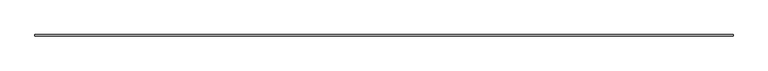
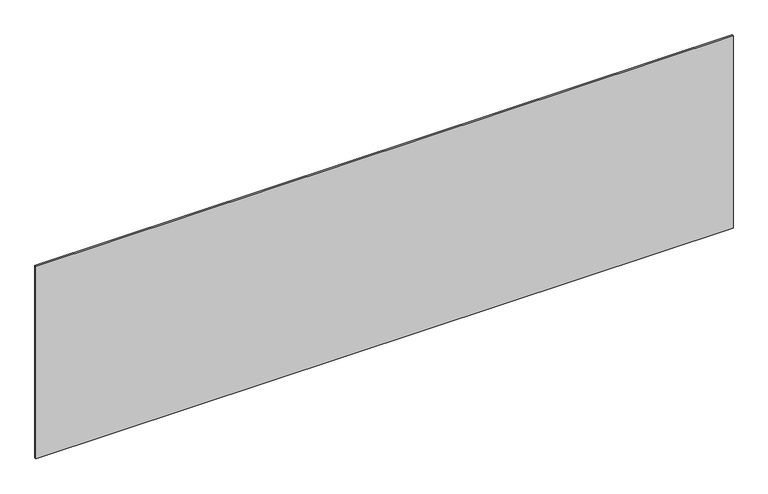
"""IFC4 building model written with IfcOpenShell, lengths in millimetres: plate geometry."""

from ifc_helpers import new_model, si_unit, origin, origin_with_axes, place, context, project, spatial, polyline, outline, extrude, source, transform, mapped, element, save


def plate_af152b64(model_context):
    return source(origin(), model_context, "Body", "SweptSolid", [
        extrude(outline(polyline([(2281.6666667, -5.0), (-2281.6666667, -5.0), (-2281.6666667, 5.0), (2281.6666667, 5.0), (2281.6666667, -5.0)])), origin_with_axes(), (0.0, 0.0, 1.0), 1331.9755531),
    ])


if __name__ == "__main__":
    model = new_model("IFC4")
    model_context = context("Model", 3, world=origin())
    ifc_project = project(units=[si_unit("LENGTHUNIT", "METRE", prefix="MILLI")], contexts=[model_context])
    site = spatial("IfcSite", under=ifc_project)
    building = spatial("IfcBuilding", under=site)
    placement = place(None, origin())
    plate_shape = plate_af152b64(model_context)
    element("IfcPlate", 1, at=placement, inside=building, context=model_context, shape_type="MappedRepresentation", body=[
        mapped(plate_shape, transform((0.0, 0.0, 0.0), x_axis=(1.0, 0.0, 0.0), y_axis=(0.0, 1.0, 0.0), z_axis=(0.0, 0.0, 1.0))),
    ])
    save(model, "model.ifc")
